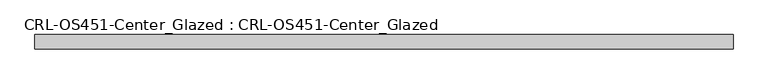
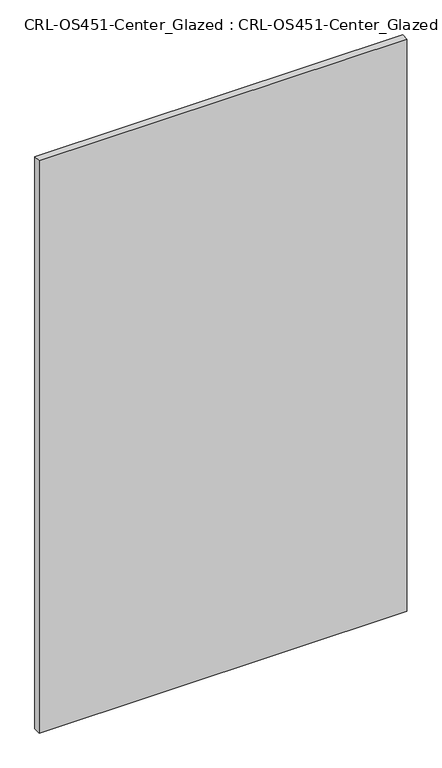
"""IFC4 building model written with IfcOpenShell, lengths in millimetres: plate geometry, CRL-OS451-Center_Glazed : CRL-OS451-Center_Glazed."""

from ifc_helpers import new_model, si_unit, origin, origin_with_axes, place, context, project, spatial, polyline, outline, extrude, source, transform, mapped, element, save


def crl_os451_center_glazed_crl_os451_center_glazed_e883a0d4(model_context):
    return source(origin(), model_context, "Body", "SweptSolid", [
        extrude(outline(polyline([(-618.1222065, 12.709956), (618.1222065, 12.709956), (618.1222065, -12.709956), (-618.1222065, -12.709956), (-618.1222065, 12.709956)])), origin_with_axes(), (0.0, 0.0, 1.0), 2033.8986269),
    ])


if __name__ == "__main__":
    model = new_model("IFC4")
    model_context = context("Model", 3, world=origin())
    ifc_project = project(units=[si_unit("LENGTHUNIT", "METRE", prefix="MILLI")], contexts=[model_context])
    site = spatial("IfcSite", under=ifc_project)
    building = spatial("IfcBuilding", under=site)
    placement = place(None, origin())
    crl_os451_center_glazed_crl_os451_center_glazed_shape = crl_os451_center_glazed_crl_os451_center_glazed_e883a0d4(model_context)
    element("IfcPlate", 1, ObjectType="CRL-OS451-Center_Glazed : CRL-OS451-Center_Glazed", at=placement, inside=building, context=model_context, shape_type="MappedRepresentation", body=[
        mapped(crl_os451_center_glazed_crl_os451_center_glazed_shape, transform((0.0, 0.0, 0.0), x_axis=(1.0, 0.0, 0.0), y_axis=(0.0, 1.0, 0.0), z_axis=(0.0, 0.0, 1.0))),
    ])
    save(model, "model.ifc")
